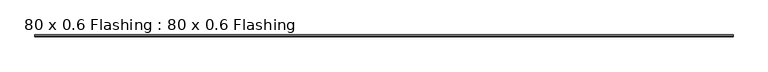
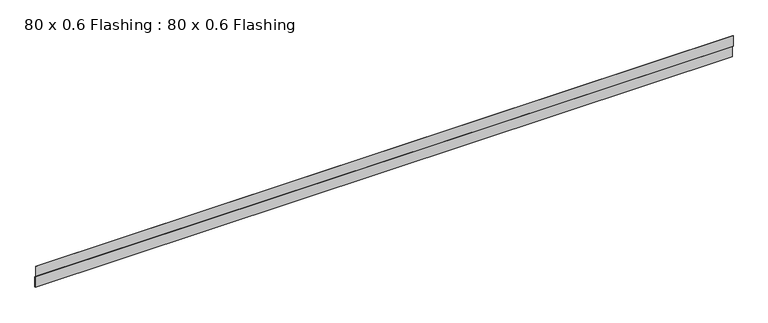
"""IFC4 building model written with IfcOpenShell, lengths in millimetres: proxy geometry, 80 x 0.6 Flashing : 80 x 0.6 Flashing."""

from ifc_helpers import new_model, si_unit, frame, origin, place, context, project, spatial, polyline, outline, extrude, source, transform, mapped, element, save


def proxy_80_x_0_6_flashing_80_x_0_6_flashing_f1fb14e0(model_context):
    return source(origin(), model_context, "Body", "SweptSolid", [
        extrude(outline(polyline([(-25692.7541708, 51.479818), (-25692.7541708, 88.479818), (-25691.7541708, 88.479818), (-25691.7541708, 51.9303222), (-25686.5541708, 47.3303222), (-25686.5541708, 9.567318), (-25687.5541708, 9.567318), (-25687.5541708, 46.879818), (-25692.7541708, 51.479818)])), frame((-10615.3690716, 0.0, 0.0), z_axis=(1.0, 0.0, 0.0), x_axis=(0.0, 1.0, 0.0)), (0.0, 0.0, 1.0), 2400.0),
    ])


if __name__ == "__main__":
    model = new_model("IFC4")
    model_context = context("Model", 3, world=origin())
    ifc_project = project(units=[si_unit("LENGTHUNIT", "METRE", prefix="MILLI")], contexts=[model_context])
    site = spatial("IfcSite", under=ifc_project)
    building = spatial("IfcBuilding", under=site)
    placement = place(None, origin())
    proxy_80_x_0_6_flashing_80_x_0_6_flashing_shape = proxy_80_x_0_6_flashing_80_x_0_6_flashing_f1fb14e0(model_context)
    element("IfcBuildingElementProxy", 1, Name="80 x 0.6 Flashing : 80 x 0.6 Flashing", ObjectType="80 x 0.6 Flashing : 80 x 0.6 Flashing", at=placement, inside=building, context=model_context, shape_type="MappedRepresentation", body=[
        mapped(proxy_80_x_0_6_flashing_80_x_0_6_flashing_shape, transform((0.0, 0.0, 0.0), x_axis=(1.0, 0.0, 0.0), y_axis=(0.0, 1.0, 0.0), z_axis=(0.0, 0.0, 1.0))),
    ])
    save(model, "model.ifc")
